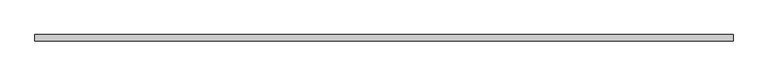
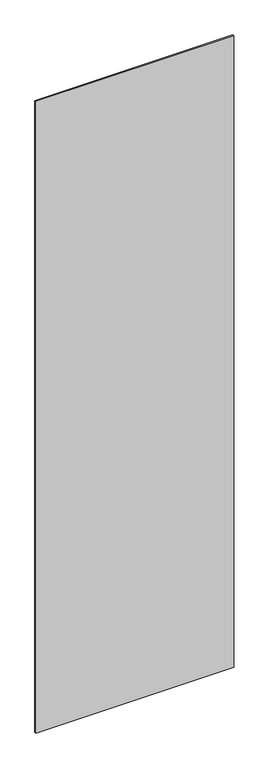
"""IFC4 building model written with IfcOpenShell, lengths in millimetres: plate geometry."""

from ifc_helpers import new_model, si_unit, origin, origin_with_axes, place, context, project, spatial, polyline, outline, extrude, source, transform, mapped, element, save


def plate_ba48ed10(model_context):
    return source(origin(), model_context, "Body", "SweptSolid", [
        extrude(outline(polyline([(572.5, -5.0), (-572.5, -5.0), (-572.5, 5.0), (572.5, 5.0), (572.5, -5.0)])), origin_with_axes(), (0.0, 0.0, 1.0), 3860.0),
    ])


if __name__ == "__main__":
    model = new_model("IFC4")
    model_context = context("Model", 3, world=origin())
    ifc_project = project(units=[si_unit("LENGTHUNIT", "METRE", prefix="MILLI")], contexts=[model_context])
    site = spatial("IfcSite", under=ifc_project)
    building = spatial("IfcBuilding", under=site)
    placement = place(None, origin())
    plate_shape = plate_ba48ed10(model_context)
    element("IfcPlate", 1, at=placement, inside=building, context=model_context, shape_type="MappedRepresentation", body=[
        mapped(plate_shape, transform((0.0, 0.0, 0.0), x_axis=(1.0, 0.0, 0.0), y_axis=(0.0, 1.0, 0.0), z_axis=(0.0, 0.0, 1.0))),
    ])
    save(model, "model.ifc")
